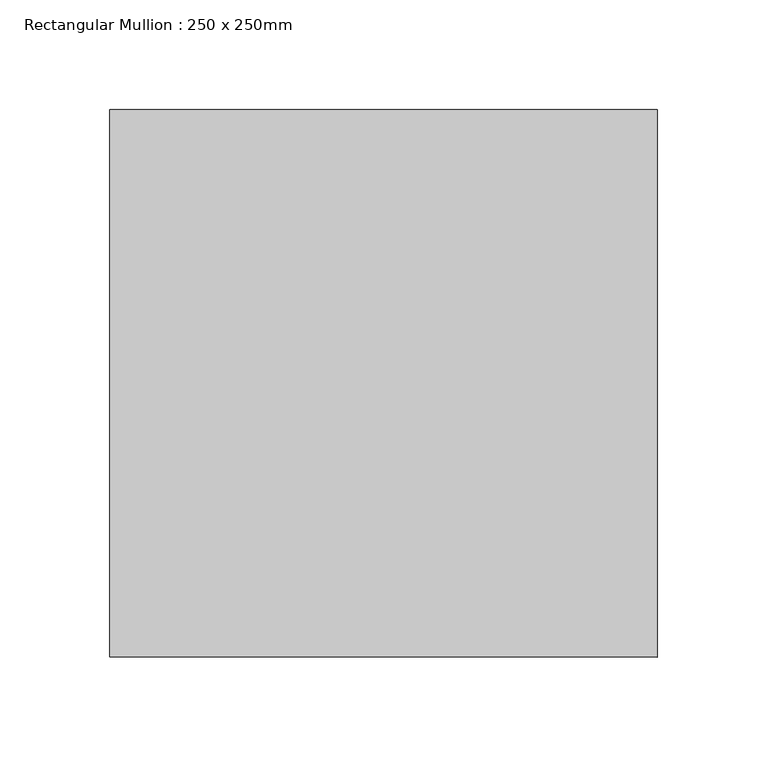
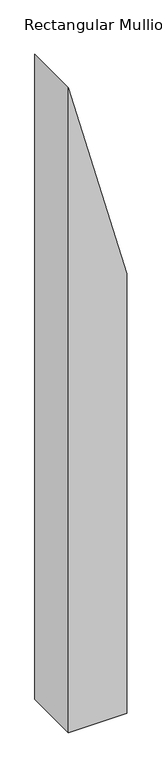
"""IFC4 building model written with IfcOpenShell, lengths in millimetres: member geometry, Rectangular Mullion : 250 x 250mm."""

from ifc_helpers import new_model, si_unit, frame, origin, place, context, project, spatial, polyline, outline, extrude, source, transform, mapped, element, save


def rectangular_mullion_250_x_250mm_b3b937a4(model_context):
    return source(origin(), model_context, "Body", "SweptSolid", [
        extrude(outline(polyline([(-1432.4321772, 125.0), (-499.4194753, -125.0), (-3432.5871449, -125.0), (-3432.5871449, 125.0), (-1432.4321772, 125.0)])), frame((0.0, -125.0, 0.0), z_axis=(0.0, 1.0, 0.0), x_axis=(0.0, 0.0, 1.0)), (0.0, 0.0, 1.0), 250.0),
    ])


if __name__ == "__main__":
    model = new_model("IFC4")
    model_context = context("Model", 3, world=origin())
    ifc_project = project(units=[si_unit("LENGTHUNIT", "METRE", prefix="MILLI")], contexts=[model_context])
    site = spatial("IfcSite", under=ifc_project)
    building = spatial("IfcBuilding", under=site)
    placement = place(None, origin())
    rectangular_mullion_250_x_250mm_shape = rectangular_mullion_250_x_250mm_b3b937a4(model_context)
    element("IfcMember", 1, ObjectType="Rectangular Mullion : 250 x 250mm", at=placement, inside=building, context=model_context, shape_type="MappedRepresentation", body=[
        mapped(rectangular_mullion_250_x_250mm_shape, transform((0.0, 0.0, 0.0), x_axis=(1.0, 0.0, 0.0), y_axis=(0.0, 1.0, 0.0), z_axis=(0.0, 0.0, 1.0))),
    ])
    save(model, "model.ifc")
